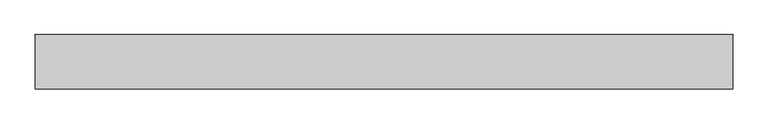
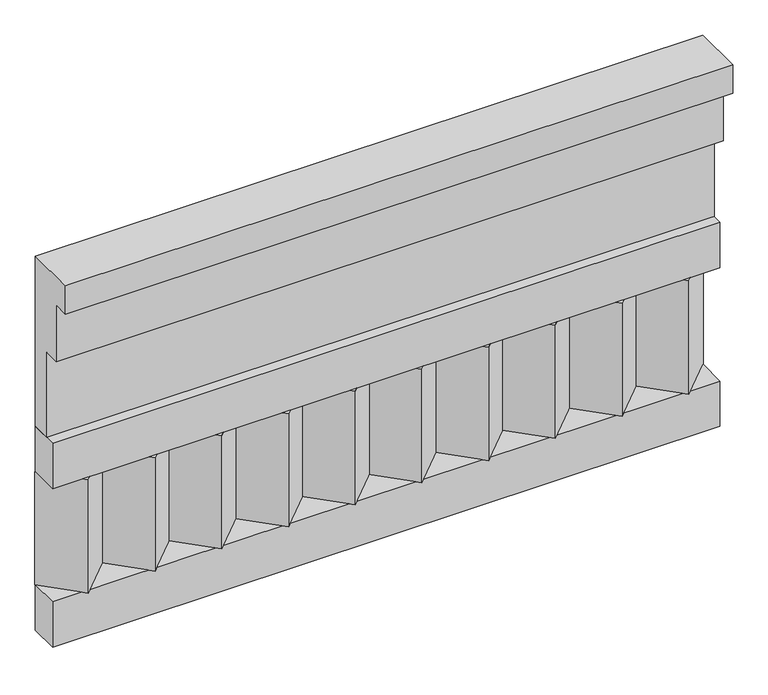
"""IFC4 building model written with IfcOpenShell, lengths in millimetres: railing geometry."""

from ifc_helpers import new_model, si_unit, frame, origin, place, context, project, spatial, polyline, outline, extrude, source, transform, mapped, element, save


def railing_fa63c3e0(model_context):
    return source(origin(), model_context, "Body", "SweptSolid", [
        extrude(outline(polyline([(-16816.8920513, 15200.0), (-16816.8920513, 14750.0), (-16866.8920513, 14750.0), (-16866.8920513, 14975.0), (-16906.8920513, 14975.0), (-16906.8920513, 15125.0), (-16946.8920513, 15125.0), (-16946.8920513, 15200.0), (-16816.8920513, 15200.0)])), frame((-29609.9887159, 0.0, 0.0), z_axis=(1.0, 0.0, 0.0), x_axis=(0.0, 1.0, 0.0)), (0.0, 0.0, 1.0), 1670.0),
        extrude(outline(polyline([(-29609.9887159, -16891.8920513), (-29609.9887159, -16816.8920513), (-27939.9887159, -16816.8920513), (-27939.9887159, -16891.8920513), (-29609.9887159, -16891.8920513)])), frame((0.0, 0.0, 14630.0), z_axis=(0.0, 0.0, 1.0), x_axis=(1.0, 0.0, 0.0)), (0.0, 0.0, 1.0), 120.0),
        extrude(outline(polyline([(-29609.9887159, -16891.8920513), (-29609.9887159, -16816.8920513), (-27939.9887159, -16816.8920513), (-27939.9887159, -16891.8920513), (-29609.9887159, -16891.8920513)])), frame((0.0, 0.0, 14210.0), z_axis=(0.0, 0.0, 1.0), x_axis=(1.0, 0.0, 0.0)), (0.0, 0.0, 1.0), 120.0),
        extrude(outline(polyline([(-28023.4887159, -16901.7448651), (-28108.3415296, -16816.8920513), (-27938.6359022, -16816.8920513), (-28023.4887159, -16901.7448651)])), frame((0.0, 0.0, 14330.0), z_axis=(0.0, 0.0, 1.0), x_axis=(1.0, 0.0, 0.0)), (0.0, 0.0, 1.0), 300.0),
        extrude(outline(polyline([(-28190.4887159, -16901.7448651), (-28275.3415296, -16816.8920513), (-28105.6359022, -16816.8920513), (-28190.4887159, -16901.7448651)])), frame((0.0, 0.0, 14330.0), z_axis=(0.0, 0.0, 1.0), x_axis=(1.0, 0.0, 0.0)), (0.0, 0.0, 1.0), 300.0),
        extrude(outline(polyline([(-28357.4887159, -16901.7448651), (-28442.3415296, -16816.8920513), (-28272.6359022, -16816.8920513), (-28357.4887159, -16901.7448651)])), frame((0.0, 0.0, 14330.0), z_axis=(0.0, 0.0, 1.0), x_axis=(1.0, 0.0, 0.0)), (0.0, 0.0, 1.0), 300.0),
        extrude(outline(polyline([(-28524.4887159, -16901.7448651), (-28609.3415296, -16816.8920513), (-28439.6359022, -16816.8920513), (-28524.4887159, -16901.7448651)])), frame((0.0, 0.0, 14330.0), z_axis=(0.0, 0.0, 1.0), x_axis=(1.0, 0.0, 0.0)), (0.0, 0.0, 1.0), 300.0),
        extrude(outline(polyline([(-28691.4887159, -16901.7448651), (-28776.3415296, -16816.8920513), (-28606.6359022, -16816.8920513), (-28691.4887159, -16901.7448651)])), frame((0.0, 0.0, 14330.0), z_axis=(0.0, 0.0, 1.0), x_axis=(1.0, 0.0, 0.0)), (0.0, 0.0, 1.0), 300.0),
        extrude(outline(polyline([(-28858.4887159, -16901.7448651), (-28943.3415296, -16816.8920513), (-28773.6359022, -16816.8920513), (-28858.4887159, -16901.7448651)])), frame((0.0, 0.0, 14330.0), z_axis=(0.0, 0.0, 1.0), x_axis=(1.0, 0.0, 0.0)), (0.0, 0.0, 1.0), 300.0),
        extrude(outline(polyline([(-29025.4887159, -16901.7448651), (-29110.3415296, -16816.8920513), (-28940.6359022, -16816.8920513), (-29025.4887159, -16901.7448651)])), frame((0.0, 0.0, 14330.0), z_axis=(0.0, 0.0, 1.0), x_axis=(1.0, 0.0, 0.0)), (0.0, 0.0, 1.0), 300.0),
        extrude(outline(polyline([(-29192.4887159, -16901.7448651), (-29277.3415296, -16816.8920513), (-29107.6359022, -16816.8920513), (-29192.4887159, -16901.7448651)])), frame((0.0, 0.0, 14330.0), z_axis=(0.0, 0.0, 1.0), x_axis=(1.0, 0.0, 0.0)), (0.0, 0.0, 1.0), 300.0),
        extrude(outline(polyline([(-29359.4887159, -16901.7448651), (-29444.3415296, -16816.8920513), (-29274.6359022, -16816.8920513), (-29359.4887159, -16901.7448651)])), frame((0.0, 0.0, 14330.0), z_axis=(0.0, 0.0, 1.0), x_axis=(1.0, 0.0, 0.0)), (0.0, 0.0, 1.0), 300.0),
        extrude(outline(polyline([(-29526.4887159, -16901.7448651), (-29611.3415296, -16816.8920513), (-29441.6359022, -16816.8920513), (-29526.4887159, -16901.7448651)])), frame((0.0, 0.0, 14330.0), z_axis=(0.0, 0.0, 1.0), x_axis=(1.0, 0.0, 0.0)), (0.0, 0.0, 1.0), 300.0),
    ])


if __name__ == "__main__":
    model = new_model("IFC4")
    model_context = context("Model", 3, world=origin())
    ifc_project = project(units=[si_unit("LENGTHUNIT", "METRE", prefix="MILLI")], contexts=[model_context])
    site = spatial("IfcSite", under=ifc_project)
    building = spatial("IfcBuilding", under=site)
    placement = place(None, origin())
    railing_shape = railing_fa63c3e0(model_context)
    element("IfcRailing", 1, at=placement, inside=building, context=model_context, shape_type="MappedRepresentation", body=[
        mapped(railing_shape, transform((0.0, 0.0, 0.0), x_axis=(1.0, 0.0, 0.0), y_axis=(0.0, 1.0, 0.0), z_axis=(0.0, 0.0, 1.0))),
    ])
    save(model, "model.ifc")
